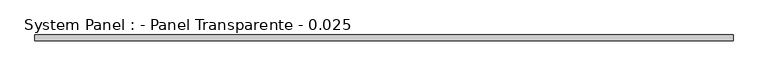
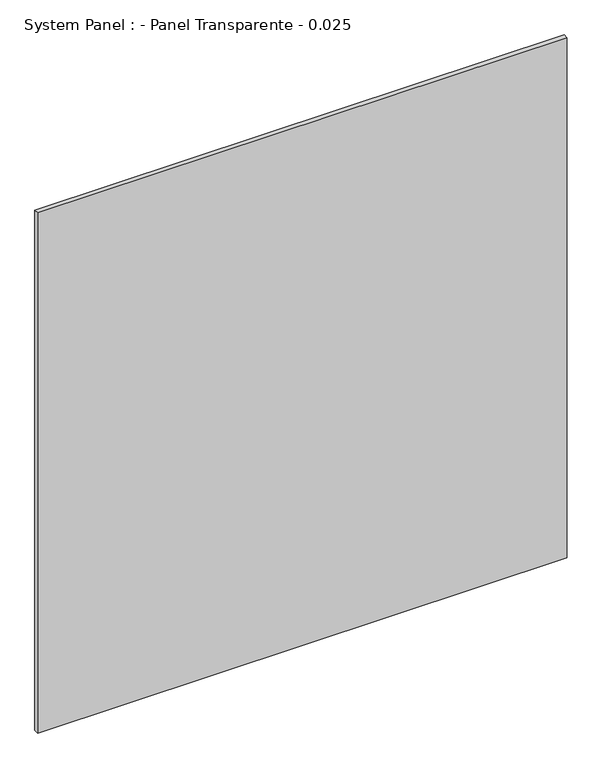
"""IFC4 building model written with IfcOpenShell, lengths in millimetres: plate geometry, System Panel : - Panel Transparente - 0.025."""

from ifc_helpers import new_model, si_unit, origin, origin_with_axes, place, context, project, spatial, polyline, outline, extrude, source, transform, mapped, element, save


def system_panel_panel_transparente_0_025_ea114e72(model_context):
    return source(origin(), model_context, "Body", "SweptSolid", [
        extrude(outline(polyline([(1460.0, -37.5), (-1460.0, -37.5), (-1460.0, -12.5), (1460.0, -12.5), (1460.0, -37.5)])), origin_with_axes(), (0.0, 0.0, 1.0), 3030.0),
    ])


if __name__ == "__main__":
    model = new_model("IFC4")
    model_context = context("Model", 3, world=origin())
    ifc_project = project(units=[si_unit("LENGTHUNIT", "METRE", prefix="MILLI")], contexts=[model_context])
    site = spatial("IfcSite", under=ifc_project)
    building = spatial("IfcBuilding", under=site)
    placement = place(None, origin())
    system_panel_panel_transparente_0_025_shape = system_panel_panel_transparente_0_025_ea114e72(model_context)
    element("IfcPlate", 1, ObjectType="System Panel : - Panel Transparente - 0.025", at=placement, inside=building, context=model_context, shape_type="MappedRepresentation", body=[
        mapped(system_panel_panel_transparente_0_025_shape, transform((0.0, 0.0, 0.0), x_axis=(1.0, 0.0, 0.0), y_axis=(0.0, 1.0, 0.0), z_axis=(0.0, 0.0, 1.0))),
    ])
    save(model, "model.ifc")
